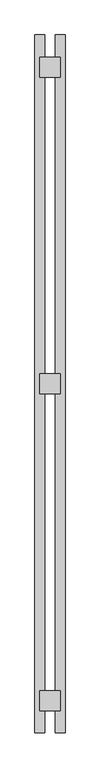
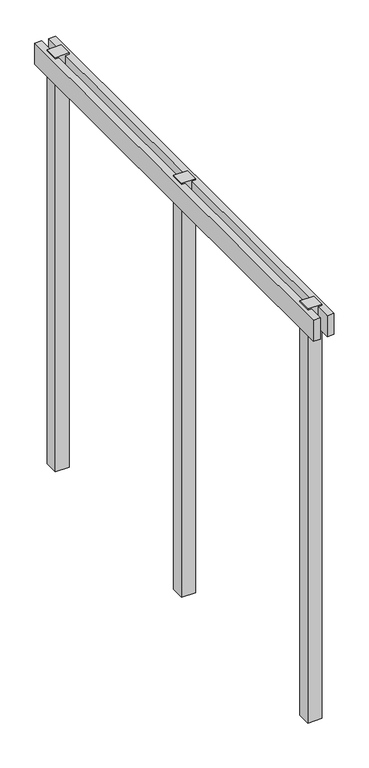
"""IFC4 building model written with IfcOpenShell, lengths in millimetres: railing geometry."""

from ifc_helpers import new_model, si_unit, frame, origin, place, context, project, spatial, polyline, outline, extrude, source, transform, mapped, element, save


def railing_e903d55d(model_context):
    return source(origin(), model_context, "Body", "SweptSolid", [
        extrude(outline(polyline([(-7635.2070653, 566.6832134), (-7590.2070653, 566.6832134), (-7590.2070653, -2557.5167866), (-7635.2070653, -2557.5167866), (-7635.2070653, 566.6832134)])), frame((0.0, 0.0, 899.2), z_axis=(0.0, 0.0, 1.0), x_axis=(1.0, 0.0, 0.0)), (0.0, 0.0, 1.0), 145.0),
        extrude(outline(polyline([(-7545.2070653, 566.6832134), (-7500.2070653, 566.6832134), (-7500.2070653, -2557.5167866), (-7545.2070653, -2557.5167866), (-7545.2070653, 566.6832134)])), frame((0.0, 0.0, 899.2), z_axis=(0.0, 0.0, 1.0), x_axis=(1.0, 0.0, 0.0)), (0.0, 0.0, 1.0), 145.0),
        extrude(outline(polyline([(-7612.7070653, -950.4167866), (-7522.7070653, -950.4167866), (-7522.7070653, -1040.4167866), (-7612.7070653, -1040.4167866), (-7612.7070653, -950.4167866)])), frame((0.0, 0.0, -1780.778125), z_axis=(0.0, 0.0, 1.0), x_axis=(1.0, 0.0, 0.0)), (0.0, 0.0, 1.0), 2835.0),
        extrude(outline(polyline([(-7612.7070653, -2367.5581929), (-7522.7070653, -2367.5581929), (-7522.7070653, -2457.5581929), (-7612.7070653, -2457.5581929), (-7612.7070653, -2367.5581929)])), frame((0.0, 0.0, -1780.778125), z_axis=(0.0, 0.0, 1.0), x_axis=(1.0, 0.0, 0.0)), (0.0, 0.0, 1.0), 2835.0),
        extrude(outline(polyline([(-7612.7070653, 466.7246196), (-7522.7070653, 466.7246196), (-7522.7070653, 376.7246196), (-7612.7070653, 376.7246196), (-7612.7070653, 466.7246196)])), frame((0.0, 0.0, -1780.778125), z_axis=(0.0, 0.0, 1.0), x_axis=(1.0, 0.0, 0.0)), (0.0, 0.0, 1.0), 2835.0),
    ])


if __name__ == "__main__":
    model = new_model("IFC4")
    model_context = context("Model", 3, world=origin())
    ifc_project = project(units=[si_unit("LENGTHUNIT", "METRE", prefix="MILLI")], contexts=[model_context])
    site = spatial("IfcSite", under=ifc_project)
    building = spatial("IfcBuilding", under=site)
    placement = place(None, origin())
    railing_shape = railing_e903d55d(model_context)
    element("IfcRailing", 1, at=placement, inside=building, context=model_context, shape_type="MappedRepresentation", body=[
        mapped(railing_shape, transform((0.0, 0.0, 0.0), x_axis=(1.0, 0.0, 0.0), y_axis=(0.0, 1.0, 0.0), z_axis=(0.0, 0.0, 1.0))),
    ])
    save(model, "model.ifc")
